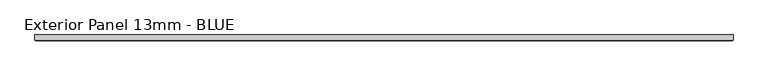
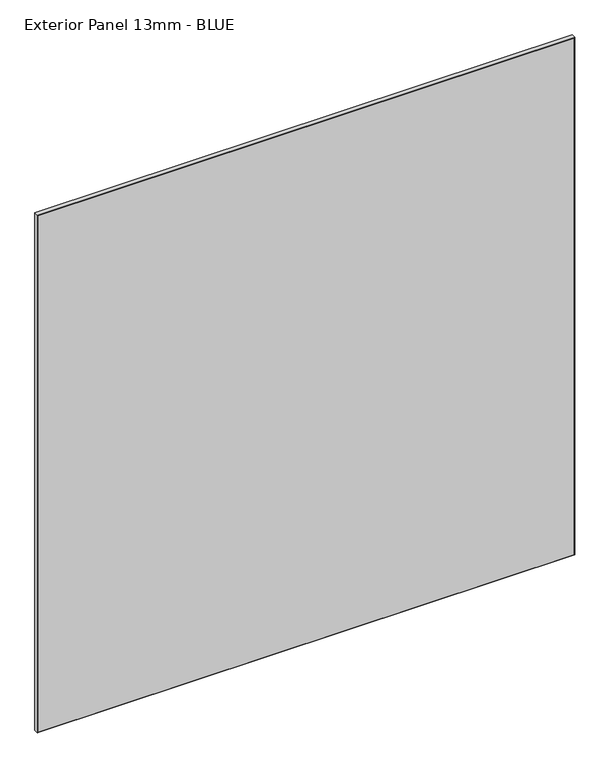
"""IFC4 building model written with IfcOpenShell, lengths in millimetres: proxy geometry, Exterior Panel 13mm - BLUE."""

from ifc_helpers import new_model, si_unit, origin, place, context, project, spatial, faceted_brep, source, transform, mapped, element, save


def exterior_panel_13mm_blue_3a8c3899(model_context):
    return source(origin(), model_context, "Body", "Brep", [
        faceted_brep([(1090.6125, 6.35, 1524.0), (-406.4, 6.35, 1524.0), (-406.4, -4.7625, 1524.0), (1090.6125, -4.7625, 1524.0), (1090.6125, 6.35, 0.0), (1090.6125, -4.7625, 0.0), (-406.4, -4.7625, 0.0), (-406.4, 6.35, 0.0), (-404.8125, -6.35, 1522.4125), (-404.8125, -6.35, 1.5875), (1089.025, -6.35, 1.5875), (1089.025, -6.35, 1522.4125)], [[[0, 1, 2, 3]], [[4, 5, 6, 7]], [[1, 0, 4, 7]], [[2, 1, 7, 6]], [[8, 9, 10, 11]], [[0, 3, 5, 4]], [[2, 6, 9, 8]], [[5, 3, 11, 10]], [[3, 2, 8, 11]], [[6, 5, 10, 9]]]),
    ])


if __name__ == "__main__":
    model = new_model("IFC4")
    model_context = context("Model", 3, world=origin())
    ifc_project = project(units=[si_unit("LENGTHUNIT", "METRE", prefix="MILLI")], contexts=[model_context])
    site = spatial("IfcSite", under=ifc_project)
    building = spatial("IfcBuilding", under=site)
    placement = place(None, origin())
    exterior_panel_13mm_blue_shape = exterior_panel_13mm_blue_3a8c3899(model_context)
    element("IfcBuildingElementProxy", 1, Name="Exterior Panel 13mm - BLUE", ObjectType="Exterior Panel 13mm - BLUE", at=placement, inside=building, context=model_context, shape_type="MappedRepresentation", body=[
        mapped(exterior_panel_13mm_blue_shape, transform((0.0, 0.0, 0.0), x_axis=(1.0, 0.0, 0.0), y_axis=(0.0, 1.0, 0.0), z_axis=(0.0, 0.0, 1.0))),
    ])
    save(model, "model.ifc")
